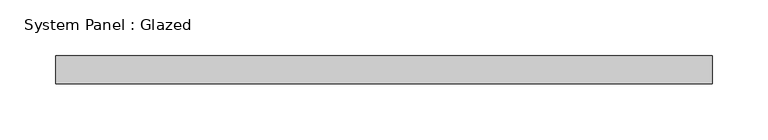
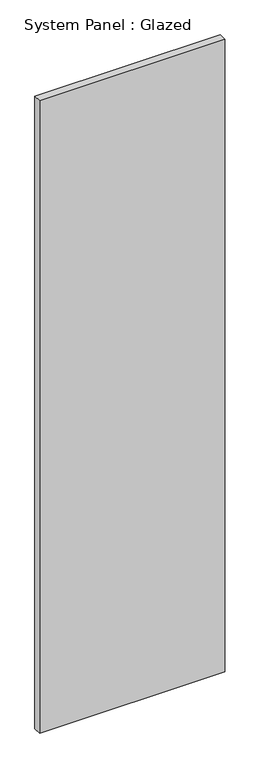
"""IFC4 building model written with IfcOpenShell, lengths in millimetres: plate geometry, System Panel : Glazed."""

from ifc_helpers import new_model, si_unit, origin, origin_with_axes, place, context, project, spatial, polyline, outline, extrude, source, transform, mapped, element, save


def system_panel_glazed_dfdf7270(model_context):
    return source(origin(), model_context, "Body", "SweptSolid", [
        extrude(outline(polyline([(295.671875, -44.45), (-295.671875, -44.45), (-295.671875, -19.05), (295.671875, -19.05), (295.671875, -44.45)])), origin_with_axes(), (0.0, 0.0, 1.0), 2133.6),
    ])


if __name__ == "__main__":
    model = new_model("IFC4")
    model_context = context("Model", 3, world=origin())
    ifc_project = project(units=[si_unit("LENGTHUNIT", "METRE", prefix="MILLI")], contexts=[model_context])
    site = spatial("IfcSite", under=ifc_project)
    building = spatial("IfcBuilding", under=site)
    placement = place(None, origin())
    system_panel_glazed_shape = system_panel_glazed_dfdf7270(model_context)
    element("IfcPlate", 1, ObjectType="System Panel : Glazed", at=placement, inside=building, context=model_context, shape_type="MappedRepresentation", body=[
        mapped(system_panel_glazed_shape, transform((0.0, 0.0, 0.0), x_axis=(1.0, 0.0, 0.0), y_axis=(0.0, 1.0, 0.0), z_axis=(0.0, 0.0, 1.0))),
    ])
    save(model, "model.ifc")
